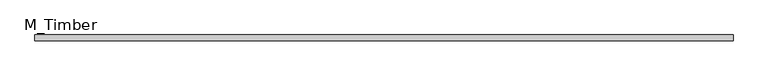
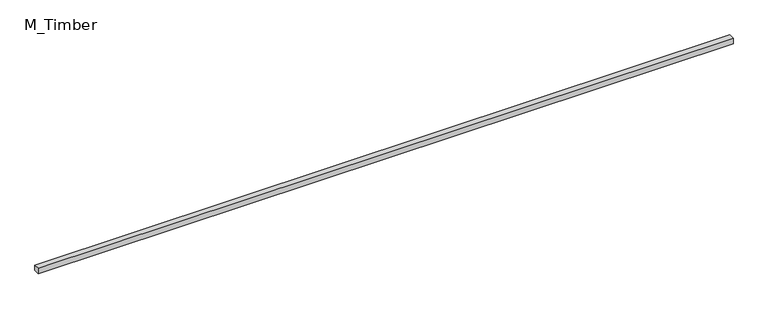
"""IFC4 building model written with IfcOpenShell, lengths in millimetres: beam geometry, M_Timber."""

from ifc_helpers import new_model, si_unit, frame, origin, place, context, project, spatial, polyline, outline, extrude, source, transform, mapped, element, save


def m_timber_87e28de7(model_context):
    return source(origin(), model_context, "Body", "SweptSolid", [
        extrude(outline(polyline([(2443.3352485, 20.0), (2443.3352485, -20.0), (-2443.3352485, -20.0), (-2443.3352485, 20.0), (2443.3352485, 20.0)])), frame((0.0, 0.0, -20.0), z_axis=(0.0, 0.0, 1.0), x_axis=(1.0, 0.0, 0.0)), (0.0, 0.0, 1.0), 40.0),
    ])


if __name__ == "__main__":
    model = new_model("IFC4")
    model_context = context("Model", 3, world=origin())
    ifc_project = project(units=[si_unit("LENGTHUNIT", "METRE", prefix="MILLI")], contexts=[model_context])
    site = spatial("IfcSite", under=ifc_project)
    building = spatial("IfcBuilding", under=site)
    placement = place(None, origin())
    m_timber_shape = m_timber_87e28de7(model_context)
    element("IfcBeam", 1, ObjectType="M_Timber", at=placement, inside=building, context=model_context, shape_type="MappedRepresentation", body=[
        mapped(m_timber_shape, transform((0.0, 0.0, 0.0), x_axis=(1.0, 0.0, 0.0), y_axis=(0.0, 1.0, 0.0), z_axis=(0.0, 0.0, 1.0))),
    ])
    save(model, "model.ifc")
